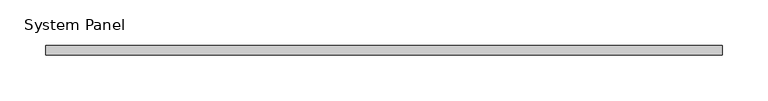
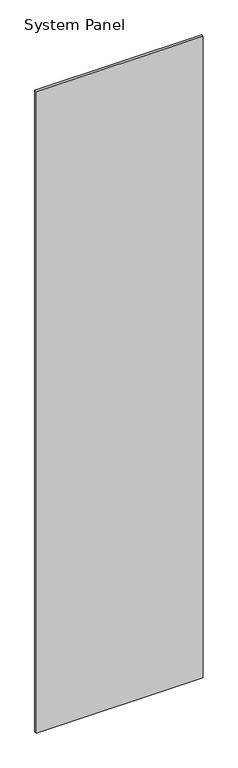
"""IFC4 building model written with IfcOpenShell, lengths in millimetres: plate geometry, System Panel."""

from ifc_helpers import new_model, si_unit, origin, origin_with_axes, place, context, project, spatial, polyline, outline, extrude, source, transform, mapped, element, save


def system_panel_1c71d89a(model_context):
    return source(origin(), model_context, "Body", "SweptSolid", [
        extrude(outline(polyline([(368.5306066, -5.0), (-368.5306066, -5.0), (-368.5306066, 5.0), (368.5306066, 5.0), (368.5306066, -5.0)])), origin_with_axes(), (0.0, 0.0, 1.0), 2991.6097048),
    ])


if __name__ == "__main__":
    model = new_model("IFC4")
    model_context = context("Model", 3, world=origin())
    ifc_project = project(units=[si_unit("LENGTHUNIT", "METRE", prefix="MILLI")], contexts=[model_context])
    site = spatial("IfcSite", under=ifc_project)
    building = spatial("IfcBuilding", under=site)
    placement = place(None, origin())
    system_panel_shape = system_panel_1c71d89a(model_context)
    element("IfcPlate", 1, ObjectType="System Panel", at=placement, inside=building, context=model_context, shape_type="MappedRepresentation", body=[
        mapped(system_panel_shape, transform((0.0, 0.0, 0.0), x_axis=(1.0, 0.0, 0.0), y_axis=(0.0, 1.0, 0.0), z_axis=(0.0, 0.0, 1.0))),
    ])
    save(model, "model.ifc")
